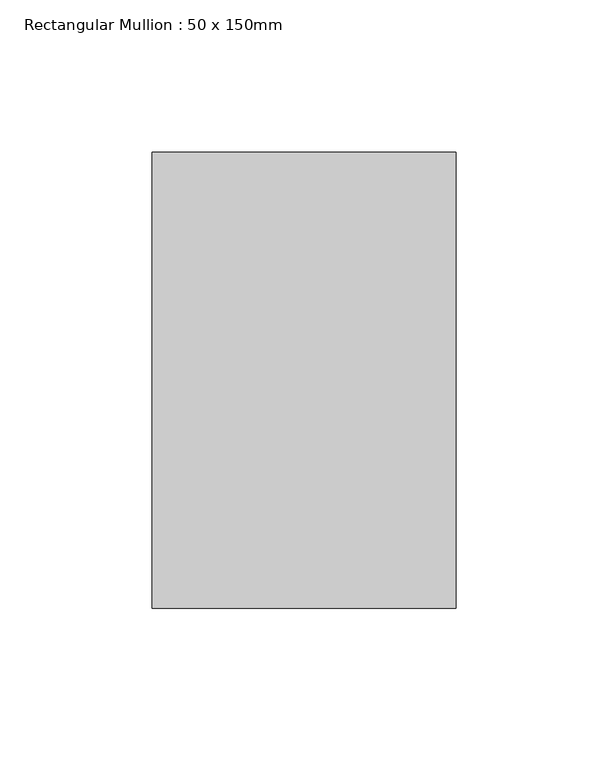
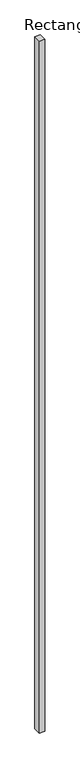
"""IFC4 building model written with IfcOpenShell, lengths in millimetres: member geometry, Rectangular Mullion : 50 x 150mm."""

from ifc_helpers import new_model, si_unit, frame, origin, place, context, project, spatial, polyline, outline, extrude, source, transform, mapped, element, save


def rectangular_mullion_50_x_150mm_8cedc38a(model_context):
    return source(origin(), model_context, "Body", "SweptSolid", [
        extrude(outline(polyline([(50.0, 75.0), (50.0, -75.0), (-50.0, -75.0), (-50.0, 75.0), (50.0, 75.0)])), frame((0.0, 0.0, -14052.6216632), z_axis=(0.0, 0.0, 1.0), x_axis=(1.0, 0.0, 0.0)), (0.0, 0.0, 1.0), 14052.6216632),
    ])


if __name__ == "__main__":
    model = new_model("IFC4")
    model_context = context("Model", 3, world=origin())
    ifc_project = project(units=[si_unit("LENGTHUNIT", "METRE", prefix="MILLI")], contexts=[model_context])
    site = spatial("IfcSite", under=ifc_project)
    building = spatial("IfcBuilding", under=site)
    placement = place(None, origin())
    rectangular_mullion_50_x_150mm_shape = rectangular_mullion_50_x_150mm_8cedc38a(model_context)
    element("IfcMember", 1, ObjectType="Rectangular Mullion : 50 x 150mm", at=placement, inside=building, context=model_context, shape_type="MappedRepresentation", body=[
        mapped(rectangular_mullion_50_x_150mm_shape, transform((0.0, 0.0, 0.0), x_axis=(1.0, 0.0, 0.0), y_axis=(0.0, 1.0, 0.0), z_axis=(0.0, 0.0, 1.0))),
    ])
    save(model, "model.ifc")
